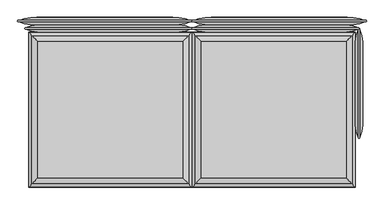
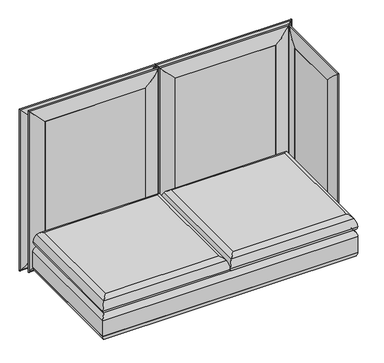
"""IFC4 building model written with IfcOpenShell, lengths in millimetres: furniture geometry."""

from ifc_helpers import new_model, si_unit, frame, origin, place, context, project, spatial, polyline, ellipse_curve, outline, extrude, source, transform, mapped, element, save
from ifc_brep_helpers import plane_surface, cylinder_surface, advanced_brep


def furniture_5d8952d9(model_context):
    return source(origin(), model_context, "Body", "SolidModel", [
        advanced_brep(
        [(815.975, -403.225, 329.9006118), (815.975, 352.425, 329.9006118), (-815.975, 352.425, 329.9006118), (-815.975, -403.225, 329.9006118), (815.975, 352.425, 142.5756118), (815.975, -403.225, 142.5756118), (-815.975, -403.225, 142.5756118), (-815.975, 352.425, 142.5756118), (835.0111528, 371.4611528, 291.910987), (835.0111528, -422.2611528, 291.910987), (835.025, 371.475, 181.4038342), (835.025, 371.475, 291.0723894), (835.025, -422.275, 291.0723894), (835.025, -422.275, 181.4038342), (835.0111528, 371.4611528, 180.5652366), (835.0111528, -422.2611528, 180.5652366), (-835.0111528, -422.2611528, 291.910987), (-835.025, -422.275, 291.0723894), (-835.025, -422.275, 181.4038342), (-835.0111528, -422.2611528, 180.5652366), (-835.0111528, 371.4611528, 291.910987), (-835.025, 371.475, 291.0723894), (-835.025, 371.475, 181.4038342), (-835.0111528, 371.4611528, 180.5652366)],
        [
            (0, 1),
            (1, 2),
            (2, 3),
            (3, 0),
            (4, 5),
            (5, 6),
            (6, 7),
            (7, 4),
            (8, 1, ellipse_curve(frame((784.2388472, 320.6888472, 290.2337918), z_axis=(0.7071067811865475, -0.7071067811865475, 0.0), x_axis=(0.7071067811865474, 0.7071067811865476, 0.0)), 71.842049, 50.8)),
            (0, 9, ellipse_curve(frame((784.2388472, -371.4888472, 290.2337918), z_axis=(0.7071067811865475, 0.7071067811865475, 0.0), x_axis=(-0.7071067811865474, 0.7071067811865476, 0.0)), 71.842049, 50.8)),
            (9, 8),
            (10, 11),
            (11, 12),
            (12, 13),
            (13, 10),
            (4, 14, ellipse_curve(frame((784.2388472, 320.6888472, 182.2424317), z_axis=(0.7071067811865475, -0.7071067811865475, 0.0), x_axis=(0.7071067811865474, 0.7071067811865476, 0.0)), 71.842049, 50.8)),
            (14, 15),
            (15, 5, ellipse_curve(frame((784.2388472, -371.4888472, 182.2424317), z_axis=(0.7071067811865475, 0.7071067811865475, 0.0), x_axis=(-0.7071067811865474, 0.7071067811865476, 0.0)), 71.842049, 50.8)),
            (3, 16, ellipse_curve(frame((-784.2388472, -371.4888472, 290.2337918), z_axis=(0.7071067811865475, -0.7071067811865475, 0.0), x_axis=(0.7071067811865476, 0.7071067811865474, 0.0)), 71.842049, 50.8)),
            (16, 9),
            (12, 17),
            (17, 18),
            (18, 13),
            (15, 19),
            (19, 6, ellipse_curve(frame((-784.2388472, -371.4888472, 182.2424317), z_axis=(0.7071067811865475, -0.7071067811865475, 0.0), x_axis=(0.7071067811865476, 0.7071067811865474, 0.0)), 71.842049, 50.8)),
            (2, 20, ellipse_curve(frame((-784.2388472, 320.6888472, 290.2337918), z_axis=(-0.7071067811865475, -0.7071067811865475, 0.0), x_axis=(0.7071067811865474, -0.7071067811865476, 0.0)), 71.842049, 50.8)),
            (20, 16),
            (17, 21),
            (21, 22),
            (22, 18),
            (19, 23),
            (23, 7, ellipse_curve(frame((-784.2388472, 320.6888472, 182.2424317), z_axis=(-0.7071067811865475, -0.7071067811865475, 0.0), x_axis=(0.7071067811865474, -0.7071067811865476, 0.0)), 71.842049, 50.8)),
            (8, 20),
            (10, 22),
            (21, 11),
            (23, 14),
            (9, 12, ellipse_curve(frame((809.625, -396.875, 291.0723894), z_axis=(0.7071067811865475, 0.7071067811865475, 0.0), x_axis=(-0.7071067811865474, 0.7071067811865476, 0.0)), 35.9210245, 25.4)),
            (11, 8, ellipse_curve(frame((809.625, 346.075, 291.0723894), z_axis=(0.7071067811865475, -0.7071067811865475, 0.0), x_axis=(0.7071067811865474, 0.7071067811865476, 0.0)), 35.9210245, 25.4)),
            (13, 15, ellipse_curve(frame((809.625, -396.875, 181.4038342), z_axis=(0.7071067811865475, 0.7071067811865475, 0.0), x_axis=(-0.7071067811865474, 0.7071067811865476, 0.0)), 35.9210245, 25.4)),
            (14, 10, ellipse_curve(frame((809.625, 346.075, 181.4038342), z_axis=(0.7071067811865475, -0.7071067811865475, 0.0), x_axis=(0.7071067811865474, 0.7071067811865476, 0.0)), 35.9210245, 25.4)),
            (16, 17, ellipse_curve(frame((-809.625, -396.875, 291.0723894), z_axis=(0.7071067811865475, -0.7071067811865475, 0.0), x_axis=(0.7071067811865476, 0.7071067811865474, 0.0)), 35.9210245, 25.4)),
            (18, 19, ellipse_curve(frame((-809.625, -396.875, 181.4038342), z_axis=(0.7071067811865475, -0.7071067811865475, 0.0), x_axis=(0.7071067811865476, 0.7071067811865474, 0.0)), 35.9210245, 25.4)),
            (20, 21, ellipse_curve(frame((-809.625, 346.075, 291.0723894), z_axis=(-0.7071067811865475, -0.7071067811865475, 0.0), x_axis=(0.7071067811865474, -0.7071067811865476, 0.0)), 35.9210245, 25.4)),
            (22, 23, ellipse_curve(frame((-809.625, 346.075, 181.4038342), z_axis=(-0.7071067811865475, -0.7071067811865475, 0.0), x_axis=(0.7071067811865474, -0.7071067811865476, 0.0)), 35.9210245, 25.4)),
        ],
        [
            plane_surface(frame((-815.975, 352.425, 329.9006118), z_axis=(0.0, 0.0, 1.0), x_axis=(-1.0, 0.0, 0.0))),
            plane_surface(frame((-815.975, 352.425, 142.5756118), z_axis=(0.0, 0.0, -1.0), x_axis=(1.0, 0.0, 0.0))),
            cylinder_surface(frame((784.2388472, 371.475, 290.2337918), z_axis=(0.0, 1.0, 0.0), x_axis=(1.0, 0.0, 0.0)), 50.8),
            plane_surface(frame((835.025, 371.475, 291.0723894), z_axis=(1.0, 0.0, 0.0), x_axis=(0.0, -1.0, 0.0))),
            cylinder_surface(frame((784.2388472, 371.475, 182.2424317), z_axis=(0.0, 1.0, 0.0), x_axis=(1.0, 0.0, 0.0)), 50.8),
            cylinder_surface(frame((835.025, -371.4888472, 290.2337918), z_axis=(1.0, 0.0, 0.0), x_axis=(0.0, -1.0, 0.0)), 50.8),
            plane_surface(frame((835.025, -422.275, 291.0723894), z_axis=(0.0, -1.0, 0.0), x_axis=(-1.0, 0.0, 0.0))),
            cylinder_surface(frame((835.025, -371.4888472, 182.2424317), z_axis=(1.0, 0.0, 0.0), x_axis=(0.0, -1.0, 0.0)), 50.8),
            cylinder_surface(frame((-784.2388472, -422.275, 290.2337918), z_axis=(0.0, -1.0, 0.0), x_axis=(-1.0, 0.0, 0.0)), 50.8),
            plane_surface(frame((-835.025, -422.275, 291.0723894), z_axis=(-1.0, 0.0, 0.0), x_axis=(0.0, 1.0, 0.0))),
            cylinder_surface(frame((-784.2388472, -422.275, 182.2424317), z_axis=(0.0, -1.0, 0.0), x_axis=(-1.0, 0.0, 0.0)), 50.8),
            cylinder_surface(frame((-835.025, 320.6888472, 290.2337918), z_axis=(-1.0, 0.0, 0.0), x_axis=(0.0, 1.0, 0.0)), 50.8),
            plane_surface(frame((-835.025, 371.475, 291.0723894), z_axis=(0.0, 1.0, 0.0), x_axis=(1.0, 0.0, 0.0))),
            cylinder_surface(frame((-835.025, 320.6888472, 182.2424317), z_axis=(-1.0, 0.0, 0.0), x_axis=(0.0, 1.0, 0.0)), 50.8),
            cylinder_surface(frame((809.625, 371.475, 291.0723894), z_axis=(0.0, 1.0, 0.0), x_axis=(1.0, 0.0, 0.0)), 25.4),
            cylinder_surface(frame((809.625, 371.475, 181.4038342), z_axis=(0.0, 1.0, 0.0), x_axis=(1.0, 0.0, 0.0)), 25.4),
            cylinder_surface(frame((835.025, -396.875, 291.0723894), z_axis=(1.0, 0.0, 0.0), x_axis=(0.0, -1.0, 0.0)), 25.4),
            cylinder_surface(frame((835.025, -396.875, 181.4038342), z_axis=(1.0, 0.0, 0.0), x_axis=(0.0, -1.0, 0.0)), 25.4),
            cylinder_surface(frame((-809.625, -422.275, 291.0723894), z_axis=(0.0, -1.0, 0.0), x_axis=(-1.0, 0.0, 0.0)), 25.4),
            cylinder_surface(frame((-809.625, -422.275, 181.4038342), z_axis=(0.0, -1.0, 0.0), x_axis=(-1.0, 0.0, 0.0)), 25.4),
            cylinder_surface(frame((-835.025, 346.075, 291.0723894), z_axis=(-1.0, 0.0, 0.0), x_axis=(0.0, 1.0, 0.0)), 25.4),
            cylinder_surface(frame((-835.025, 346.075, 181.4038342), z_axis=(-1.0, 0.0, 0.0), x_axis=(0.0, 1.0, 0.0)), 25.4),
        ],
        [
            (0, [[1, 2, 3, 4]]),
            (1, [[5, 6, 7, 8]]),
            (2, [[9, -1, 10, 11]]),
            (3, [[12, 13, 14, 15]]),
            (4, [[16, 17, 18, -5]]),
            (5, [[-10, -4, 19, 20]]),
            (6, [[-14, 21, 22, 23]]),
            (7, [[-18, 24, 25, -6]]),
            (8, [[-19, -3, 26, 27]]),
            (9, [[-22, 28, 29, 30]]),
            (10, [[-25, 31, 32, -7]]),
            (11, [[-9, 33, -26, -2]]),
            (12, [[-12, 34, -29, 35]]),
            (13, [[-16, -8, -32, 36]]),
            (14, [[-11, 37, -13, 38]]),
            (15, [[-15, 39, -17, 40]]),
            (16, [[-20, 41, -21, -37]]),
            (17, [[-23, 42, -24, -39]]),
            (18, [[-27, 43, -28, -41]]),
            (19, [[-30, 44, -31, -42]]),
            (20, [[-33, -38, -35, -43]]),
            (21, [[-34, -40, -36, -44]]),
        ],
    ),
        advanced_brep(
        [(808.5131705, -395.7631705, 330.2), (26.5118295, -395.7631705, 330.2), (26.5118295, 344.9631705, 330.2), (808.5131705, 344.9631705, 330.2), (833.9111903, 370.3611903, 355.9171647), (833.9111903, -421.1611903, 355.9171647), (1.1138097, -421.1611903, 355.9171647), (1.1138097, 370.3611903, 355.9171647), (787.4, -374.65, 434.975), (787.4, 323.85, 434.975), (47.625, 323.85, 434.975), (47.625, -374.65, 434.975), (818.6566677, 355.1066677, 412.0276231), (818.6566677, -405.9066677, 412.0276231), (16.3683323, -405.9066677, 412.0276231), (16.3683323, 355.1066677, 412.0276231)],
        [
            (0, 1),
            (1, 2),
            (2, 3),
            (3, 0),
            (3, 4, ellipse_curve(frame((808.5131705, 344.9631705, 355.6), z_axis=(0.7071067811865478, -0.7071067811865471, 0.0), x_axis=(0.707106781186547, 0.707106781186548, 0.0)), 35.9210245, 25.4)),
            (4, 5),
            (5, 0, ellipse_curve(frame((808.5131705, -395.7631705, 355.6), z_axis=(0.7071067811865471, 0.7071067811865478, 0.0), x_axis=(-0.7071067811865476, 0.7071067811865474, 0.0)), 35.9210245, 25.4)),
            (5, 6),
            (6, 1, ellipse_curve(frame((26.5118295, -395.7631705, 355.6), z_axis=(0.7071067811865478, -0.7071067811865471, 0.0), x_axis=(0.7071067811865474, 0.7071067811865476, 0.0)), 35.9210245, 25.4)),
            (6, 7),
            (7, 2, ellipse_curve(frame((26.5118295, 344.9631705, 355.6), z_axis=(-0.7071067811865471, -0.7071067811865478, 0.0), x_axis=(0.7071067811865476, -0.7071067811865474, 0.0)), 35.9210245, 25.4)),
            (7, 4),
            (8, 9),
            (9, 10),
            (10, 11),
            (11, 8),
            (12, 9, ellipse_curve(frame((777.2731381, 313.7231381, 388.4201083), z_axis=(0.7071067811865478, -0.7071067811865471, 0.0), x_axis=(0.707106781186547, 0.707106781186548, 0.0)), 67.3782053, 47.6435859)),
            (8, 13, ellipse_curve(frame((777.2731381, -364.5231381, 388.4201083), z_axis=(0.7071067811865471, 0.7071067811865478, 0.0), x_axis=(-0.7071067811865476, 0.7071067811865474, 0.0)), 67.3782053, 47.6435859)),
            (13, 12),
            (4, 12, ellipse_curve(frame((717.7532966, 254.2032966, 354.4666114), z_axis=(0.7071067811865478, -0.7071067811865471, 0.0), x_axis=(0.707106781186547, 0.707106781186548, 0.0)), 164.2848767, 116.1669504)),
            (13, 5, ellipse_curve(frame((717.7532966, -305.0032966, 354.4666114), z_axis=(0.7071067811865471, 0.7071067811865478, 0.0), x_axis=(-0.7071067811865476, 0.7071067811865474, 0.0)), 164.2848767, 116.1669504)),
            (11, 14, ellipse_curve(frame((57.7518619, -364.5231381, 388.4201083), z_axis=(0.7071067811865478, -0.7071067811865471, 0.0), x_axis=(0.7071067811865474, 0.7071067811865476, 0.0)), 67.3782053, 47.6435859)),
            (14, 13),
            (14, 6, ellipse_curve(frame((117.2717034, -305.0032966, 354.4666114), z_axis=(0.7071067811865478, -0.7071067811865471, 0.0), x_axis=(0.7071067811865474, 0.7071067811865476, 0.0)), 164.2848767, 116.1669504)),
            (10, 15, ellipse_curve(frame((57.7518619, 313.7231381, 388.4201083), z_axis=(-0.7071067811865471, -0.7071067811865478, 0.0), x_axis=(0.7071067811865476, -0.7071067811865474, 0.0)), 67.3782053, 47.6435859)),
            (15, 14),
            (15, 7, ellipse_curve(frame((117.2717034, 254.2032966, 354.4666114), z_axis=(-0.7071067811865471, -0.7071067811865478, 0.0), x_axis=(0.7071067811865476, -0.7071067811865474, 0.0)), 164.2848767, 116.1669504)),
            (12, 15),
        ],
        [
            plane_surface(frame((26.5118295, 344.9631705, 330.2), z_axis=(0.0, 0.0, -1.0), x_axis=(1.0, 0.0, 0.0))),
            cylinder_surface(frame((808.5131705, 371.475, 355.6), z_axis=(0.0, 1.0000000000000002, 0.0), x_axis=(1.0000000000000002, 0.0, 0.0)), 25.4),
            cylinder_surface(frame((835.025, -395.7631705, 355.6), z_axis=(1.0000000000000002, 0.0, 0.0), x_axis=(0.0, -1.0000000000000002, 0.0)), 25.4),
            cylinder_surface(frame((26.5118295, -422.275, 355.6), z_axis=(0.0, -1.0000000000000002, 0.0), x_axis=(-1.0000000000000002, 0.0, 0.0)), 25.4),
            cylinder_surface(frame((0.0, 344.9631705, 355.6), z_axis=(-1.0000000000000002, 0.0, 0.0), x_axis=(0.0, 1.0000000000000002, 0.0)), 25.4),
            plane_surface(frame((47.625, 323.85, 434.975), z_axis=(0.0, 0.0, 1.0), x_axis=(-1.0, 0.0, 0.0))),
            cylinder_surface(frame((777.2731381, 371.475, 388.4201083), z_axis=(0.0, 1.0000000000000002, 0.0), x_axis=(1.0000000000000002, 0.0, 0.0)), 47.6435859),
            cylinder_surface(frame((717.7532966, 371.475, 354.4666114), z_axis=(0.0, 1.0000000000000002, 0.0), x_axis=(1.0000000000000002, 0.0, 0.0)), 116.1669504),
            cylinder_surface(frame((835.025, -364.5231381, 388.4201083), z_axis=(1.0000000000000002, 0.0, 0.0), x_axis=(0.0, -1.0000000000000002, 0.0)), 47.6435859),
            cylinder_surface(frame((835.025, -305.0032966, 354.4666114), z_axis=(1.0000000000000002, 0.0, 0.0), x_axis=(0.0, -1.0000000000000002, 0.0)), 116.1669504),
            cylinder_surface(frame((57.7518619, -422.275, 388.4201083), z_axis=(0.0, -1.0000000000000002, 0.0), x_axis=(-1.0000000000000002, 0.0, 0.0)), 47.6435859),
            cylinder_surface(frame((117.2717034, -422.275, 354.4666114), z_axis=(0.0, -1.0000000000000002, 0.0), x_axis=(-1.0000000000000002, 0.0, 0.0)), 116.1669504),
            cylinder_surface(frame((0.0, 313.7231381, 388.4201083), z_axis=(-1.0000000000000002, 0.0, 0.0), x_axis=(0.0, 1.0000000000000002, 0.0)), 47.6435859),
            cylinder_surface(frame((0.0, 254.2032966, 354.4666114), z_axis=(-1.0000000000000002, 0.0, 0.0), x_axis=(0.0, 1.0000000000000002, 0.0)), 116.1669504),
        ],
        [
            (0, [[1, 2, 3, 4]]),
            (1, [[-4, 5, 6, 7]]),
            (2, [[-1, -7, 8, 9]]),
            (3, [[-2, -9, 10, 11]]),
            (4, [[-3, -11, 12, -5]]),
            (5, [[13, 14, 15, 16]]),
            (6, [[17, -13, 18, 19]]),
            (7, [[-6, 20, -19, 21]]),
            (8, [[-18, -16, 22, 23]]),
            (9, [[-8, -21, -23, 24]]),
            (10, [[-22, -15, 25, 26]]),
            (11, [[-10, -24, -26, 27]]),
            (12, [[-17, 28, -25, -14]]),
            (13, [[-12, -27, -28, -20]]),
        ],
    ),
        advanced_brep(
        [(-26.5118295, -395.7631705, 330.2), (-808.5131705, -395.7631705, 330.2), (-808.5131705, 344.9631705, 330.2), (-26.5118295, 344.9631705, 330.2), (-1.1138097, 370.3611903, 355.9171647), (-1.1138097, -421.1611903, 355.9171647), (-833.9111903, -421.1611903, 355.9171647), (-833.9111903, 370.3611903, 355.9171647), (-47.625, -374.65, 434.975), (-47.625, 323.85, 434.975), (-787.4, 323.85, 434.975), (-787.4, -374.65, 434.975), (-16.3683323, 355.1066677, 412.0276231), (-16.3683323, -405.9066677, 412.0276231), (-818.6566677, -405.9066677, 412.0276231), (-818.6566677, 355.1066677, 412.0276231)],
        [
            (0, 1),
            (1, 2),
            (2, 3),
            (3, 0),
            (3, 4, ellipse_curve(frame((-26.5118295, 344.9631705, 355.6), z_axis=(0.7071067811865478, -0.7071067811865471, 0.0), x_axis=(0.707106781186547, 0.707106781186548, 0.0)), 35.9210245, 25.4)),
            (4, 5),
            (5, 0, ellipse_curve(frame((-26.5118295, -395.7631705, 355.6), z_axis=(0.7071067811865471, 0.7071067811865478, 0.0), x_axis=(-0.7071067811865476, 0.7071067811865474, 0.0)), 35.9210245, 25.4)),
            (5, 6),
            (6, 1, ellipse_curve(frame((-808.5131705, -395.7631705, 355.6), z_axis=(0.7071067811865478, -0.7071067811865471, 0.0), x_axis=(0.7071067811865474, 0.7071067811865476, 0.0)), 35.9210245, 25.4)),
            (6, 7),
            (7, 2, ellipse_curve(frame((-808.5131705, 344.9631705, 355.6), z_axis=(-0.7071067811865471, -0.7071067811865478, 0.0), x_axis=(0.7071067811865476, -0.7071067811865474, 0.0)), 35.9210245, 25.4)),
            (7, 4),
            (8, 9),
            (9, 10),
            (10, 11),
            (11, 8),
            (12, 9, ellipse_curve(frame((-57.7518619, 313.7231381, 388.4201083), z_axis=(0.7071067811865478, -0.7071067811865471, 0.0), x_axis=(0.707106781186547, 0.707106781186548, 0.0)), 67.3782053, 47.6435859)),
            (8, 13, ellipse_curve(frame((-57.7518619, -364.5231381, 388.4201083), z_axis=(0.7071067811865471, 0.7071067811865478, 0.0), x_axis=(-0.7071067811865476, 0.7071067811865474, 0.0)), 67.3782053, 47.6435859)),
            (13, 12),
            (4, 12, ellipse_curve(frame((-117.2717034, 254.2032966, 354.4666114), z_axis=(0.7071067811865478, -0.7071067811865471, 0.0), x_axis=(0.707106781186547, 0.707106781186548, 0.0)), 164.2848767, 116.1669504)),
            (13, 5, ellipse_curve(frame((-117.2717034, -305.0032966, 354.4666114), z_axis=(0.7071067811865471, 0.7071067811865478, 0.0), x_axis=(-0.7071067811865476, 0.7071067811865474, 0.0)), 164.2848767, 116.1669504)),
            (11, 14, ellipse_curve(frame((-777.2731381, -364.5231381, 388.4201083), z_axis=(0.7071067811865478, -0.7071067811865471, 0.0), x_axis=(0.7071067811865474, 0.7071067811865476, 0.0)), 67.3782053, 47.6435859)),
            (14, 13),
            (14, 6, ellipse_curve(frame((-717.7532966, -305.0032966, 354.4666114), z_axis=(0.7071067811865478, -0.7071067811865471, 0.0), x_axis=(0.7071067811865474, 0.7071067811865476, 0.0)), 164.2848767, 116.1669504)),
            (10, 15, ellipse_curve(frame((-777.2731381, 313.7231381, 388.4201083), z_axis=(-0.7071067811865471, -0.7071067811865478, 0.0), x_axis=(0.7071067811865476, -0.7071067811865474, 0.0)), 67.3782053, 47.6435859)),
            (15, 14),
            (15, 7, ellipse_curve(frame((-717.7532966, 254.2032966, 354.4666114), z_axis=(-0.7071067811865471, -0.7071067811865478, 0.0), x_axis=(0.7071067811865476, -0.7071067811865474, 0.0)), 164.2848767, 116.1669504)),
            (12, 15),
        ],
        [
            plane_surface(frame((-808.5131705, 344.9631705, 330.2), z_axis=(0.0, 0.0, -1.0), x_axis=(1.0, 0.0, 0.0))),
            cylinder_surface(frame((-26.5118295, 371.475, 355.6), z_axis=(0.0, 1.0000000000000002, 0.0), x_axis=(1.0000000000000002, 0.0, 0.0)), 25.4),
            cylinder_surface(frame((0.0, -395.7631705, 355.6), z_axis=(1.0000000000000002, 0.0, 0.0), x_axis=(0.0, -1.0000000000000002, 0.0)), 25.4),
            cylinder_surface(frame((-808.5131705, -422.275, 355.6), z_axis=(0.0, -1.0000000000000002, 0.0), x_axis=(-1.0000000000000002, 0.0, 0.0)), 25.4),
            cylinder_surface(frame((-835.025, 344.9631705, 355.6), z_axis=(-1.0000000000000002, 0.0, 0.0), x_axis=(0.0, 1.0000000000000002, 0.0)), 25.4),
            plane_surface(frame((-787.4, 323.85, 434.975), z_axis=(0.0, 0.0, 1.0), x_axis=(-1.0, 0.0, 0.0))),
            cylinder_surface(frame((-57.7518619, 371.475, 388.4201083), z_axis=(0.0, 1.0000000000000002, 0.0), x_axis=(1.0000000000000002, 0.0, 0.0)), 47.6435859),
            cylinder_surface(frame((-117.2717034, 371.475, 354.4666114), z_axis=(0.0, 1.0000000000000002, 0.0), x_axis=(1.0000000000000002, 0.0, 0.0)), 116.1669504),
            cylinder_surface(frame((0.0, -364.5231381, 388.4201083), z_axis=(1.0000000000000002, 0.0, 0.0), x_axis=(0.0, -1.0000000000000002, 0.0)), 47.6435859),
            cylinder_surface(frame((0.0, -305.0032966, 354.4666114), z_axis=(1.0000000000000002, 0.0, 0.0), x_axis=(0.0, -1.0000000000000002, 0.0)), 116.1669504),
            cylinder_surface(frame((-777.2731381, -422.275, 388.4201083), z_axis=(0.0, -1.0000000000000002, 0.0), x_axis=(-1.0000000000000002, 0.0, 0.0)), 47.6435859),
            cylinder_surface(frame((-717.7532966, -422.275, 354.4666114), z_axis=(0.0, -1.0000000000000002, 0.0), x_axis=(-1.0000000000000002, 0.0, 0.0)), 116.1669504),
            cylinder_surface(frame((-835.025, 313.7231381, 388.4201083), z_axis=(-1.0000000000000002, 0.0, 0.0), x_axis=(0.0, 1.0000000000000002, 0.0)), 47.6435859),
            cylinder_surface(frame((-835.025, 254.2032966, 354.4666114), z_axis=(-1.0000000000000002, 0.0, 0.0), x_axis=(0.0, 1.0000000000000002, 0.0)), 116.1669504),
        ],
        [
            (0, [[1, 2, 3, 4]]),
            (1, [[-4, 5, 6, 7]]),
            (2, [[-1, -7, 8, 9]]),
            (3, [[-2, -9, 10, 11]]),
            (4, [[-3, -11, 12, -5]]),
            (5, [[13, 14, 15, 16]]),
            (6, [[17, -13, 18, 19]]),
            (7, [[-6, 20, -19, 21]]),
            (8, [[-18, -16, 22, 23]]),
            (9, [[-8, -21, -23, 24]]),
            (10, [[-22, -15, 25, 26]]),
            (11, [[-10, -24, -26, 27]]),
            (12, [[-17, 28, -25, -14]]),
            (13, [[-12, -27, -28, -20]]),
        ],
    ),
        advanced_brep(
        [(98.425, 410.5220019, 1163.5628297), (5.2936683, 425.266915, 1256.6941614), (5.2936683, 425.266915, 145.8277373), (98.425, 410.5220019, 238.959069), (98.425, 446.7279981, 1163.5628297), (98.425, 446.7279981, 238.959069), (5.2936683, 431.983085, 1256.6941614), (5.2936683, 431.983085, 145.8277373), (886.8813317, 425.266915, 145.8277373), (793.75, 410.5220019, 238.959069), (793.75, 446.7279981, 238.959069), (886.8813317, 431.983085, 145.8277373), (886.8813317, 425.266915, 1256.6941614), (793.75, 410.5220019, 1163.5628297), (793.75, 446.7279981, 1163.5628297), (886.8813317, 431.983085, 1256.6941614)],
        [
            (0, 1, ellipse_curve(frame((79.7282714, 593.9193158, 1182.2595584), z_axis=(-0.7071067811865475, 0.0, -0.7071067811865475), x_axis=(-0.7071067811865474, 0.0, 0.7071067811865476)), 260.707278, 184.3478842)),
            (1, 2),
            (2, 3, ellipse_curve(frame((79.7282714, 593.9193158, 220.2623404), z_axis=(-0.7071067811865475, 0.0, 0.7071067811865475), x_axis=(0.7071067811865474, 0.0, 0.7071067811865476)), 260.707278, 184.3478842)),
            (3, 0),
            (4, 0),
            (3, 5),
            (5, 4),
            (6, 4, ellipse_curve(frame((79.7282714, 263.3306842, 1182.2595584), z_axis=(-0.7071067811865475, 0.0, -0.7071067811865475), x_axis=(-0.7071067811865474, 0.0, 0.7071067811865476)), 260.707278, 184.3478842)),
            (5, 7, ellipse_curve(frame((79.7282714, 263.3306842, 220.2623404), z_axis=(-0.7071067811865475, 0.0, 0.7071067811865475), x_axis=(0.7071067811865474, 0.0, 0.7071067811865476)), 260.707278, 184.3478842)),
            (7, 6),
            (1, 6, ellipse_curve(frame((3.6755545, 428.625, 1258.3122753), z_axis=(-0.7071067811865475, 0.0, -0.7071067811865475), x_axis=(-0.7071067811865474, 0.0, 0.7071067811865476)), 5.2716273, 3.7276034)),
            (7, 2, ellipse_curve(frame((3.6755545, 428.625, 144.2096235), z_axis=(-0.7071067811865475, 0.0, 0.7071067811865475), x_axis=(0.7071067811865474, 0.0, 0.7071067811865476)), 5.2716273, 3.7276034)),
            (2, 8),
            (8, 9, ellipse_curve(frame((812.4467286, 593.9193158, 220.2623404), z_axis=(-0.7071067811865475, 0.0, -0.7071067811865475), x_axis=(-0.7071067811865476, 0.0, 0.7071067811865474)), 260.707278, 184.3478842)),
            (9, 3),
            (9, 10),
            (10, 5),
            (10, 11, ellipse_curve(frame((812.4467286, 263.3306842, 220.2623404), z_axis=(-0.7071067811865475, 0.0, -0.7071067811865475), x_axis=(-0.7071067811865476, 0.0, 0.7071067811865474)), 260.707278, 184.3478842)),
            (11, 7),
            (11, 8, ellipse_curve(frame((888.4994455, 428.625, 144.2096235), z_axis=(-0.7071067811865475, 0.0, -0.7071067811865475), x_axis=(-0.7071067811865476, 0.0, 0.7071067811865474)), 5.2716273, 3.7276034)),
            (8, 12),
            (12, 13, ellipse_curve(frame((812.4467286, 593.9193158, 1182.2595584), z_axis=(0.7071067811865475, 0.0, -0.7071067811865475), x_axis=(-0.7071067811865474, 0.0, -0.7071067811865476)), 260.707278, 184.3478842)),
            (13, 9),
            (13, 14),
            (14, 10),
            (14, 15, ellipse_curve(frame((812.4467286, 263.3306842, 1182.2595584), z_axis=(0.7071067811865475, 0.0, -0.7071067811865475), x_axis=(-0.7071067811865474, 0.0, -0.7071067811865476)), 260.707278, 184.3478842)),
            (15, 11),
            (15, 12, ellipse_curve(frame((888.4994455, 428.625, 1258.3122753), z_axis=(0.7071067811865475, 0.0, -0.7071067811865475), x_axis=(-0.7071067811865474, 0.0, -0.7071067811865476)), 5.2716273, 3.7276034)),
            (12, 1),
            (0, 13),
            (4, 14),
            (6, 15),
        ],
        [
            cylinder_surface(frame((79.7282714, 593.9193158, 1163.5628297), z_axis=(0.0, 0.0, 1.0), x_axis=(0.0, -1.0000000000000002, 0.0)), 184.3478842),
            plane_surface(frame((98.425, 410.5220019, 1163.5628297), z_axis=(1.0, 0.0, 0.0), x_axis=(0.0, 0.0, -1.0))),
            cylinder_surface(frame((79.7282714, 263.3306842, 1163.5628297), z_axis=(0.0, 0.0, 1.0), x_axis=(0.0, -1.0000000000000002, 0.0)), 184.3478842),
            cylinder_surface(frame((3.6755545, 428.625, 1163.5628297), z_axis=(0.0, 0.0, 1.0), x_axis=(0.0, -1.0000000000000002, 0.0)), 3.7276034),
            cylinder_surface(frame((98.425, 593.9193158, 220.2623404), z_axis=(-1.0000000000000002, 0.0, 0.0), x_axis=(0.0, -1.0000000000000002, 0.0)), 184.3478842),
            plane_surface(frame((98.425, 410.5220019, 238.959069), z_axis=(0.0, 0.0, 1.0), x_axis=(1.0, 0.0, 0.0))),
            cylinder_surface(frame((98.425, 263.3306842, 220.2623404), z_axis=(-1.0000000000000002, 0.0, 0.0), x_axis=(0.0, -1.0000000000000002, 0.0)), 184.3478842),
            cylinder_surface(frame((98.425, 428.625, 144.2096235), z_axis=(-1.0000000000000002, 0.0, 0.0), x_axis=(0.0, -1.0000000000000002, 0.0)), 3.7276034),
            cylinder_surface(frame((812.4467286, 593.9193158, 238.959069), z_axis=(0.0, 0.0, -1.0), x_axis=(0.0, -1.0000000000000002, 0.0)), 184.3478842),
            plane_surface(frame((793.75, 410.5220019, 238.959069), z_axis=(-1.0, 0.0, 0.0), x_axis=(0.0, 0.0, 1.0))),
            cylinder_surface(frame((812.4467286, 263.3306842, 238.959069), z_axis=(0.0, 0.0, -1.0), x_axis=(0.0, -1.0000000000000002, 0.0)), 184.3478842),
            cylinder_surface(frame((888.4994455, 428.625, 238.959069), z_axis=(0.0, 0.0, -1.0), x_axis=(0.0, -1.0000000000000002, 0.0)), 3.7276034),
            cylinder_surface(frame((793.75, 593.9193158, 1182.2595584), z_axis=(1.0000000000000002, 0.0, 0.0), x_axis=(0.0, -1.0000000000000002, 0.0)), 184.3478842),
            plane_surface(frame((793.75, 410.5220019, 1163.5628297), z_axis=(0.0, 0.0, -1.0), x_axis=(-1.0, 0.0, 0.0))),
            cylinder_surface(frame((793.75, 263.3306842, 1182.2595584), z_axis=(1.0000000000000002, 0.0, 0.0), x_axis=(0.0, -1.0000000000000002, 0.0)), 184.3478842),
            cylinder_surface(frame((793.75, 428.625, 1258.3122753), z_axis=(1.0000000000000002, 0.0, 0.0), x_axis=(0.0, -1.0000000000000002, 0.0)), 3.7276034),
        ],
        [
            (0, [[1, 2, 3, 4]]),
            (1, [[5, -4, 6, 7]]),
            (2, [[8, -7, 9, 10]]),
            (3, [[11, -10, 12, -2]]),
            (4, [[-3, 13, 14, 15]]),
            (5, [[-6, -15, 16, 17]]),
            (6, [[-9, -17, 18, 19]]),
            (7, [[-12, -19, 20, -13]]),
            (8, [[-14, 21, 22, 23]]),
            (9, [[-16, -23, 24, 25]]),
            (10, [[-18, -25, 26, 27]]),
            (11, [[-20, -27, 28, -21]]),
            (12, [[-22, 29, -1, 30]]),
            (13, [[-24, -30, -5, 31]]),
            (14, [[-26, -31, -8, 32]]),
            (15, [[-28, -32, -11, -29]]),
        ],
    ),
        extrude(outline(polyline([(793.75, 447.675), (793.75, 409.575), (98.425, 409.575), (98.425, 447.675), (793.75, 447.675)])), frame((0.0, 0.0, 238.959069), z_axis=(0.0, 0.0, 1.0), x_axis=(1.0, 0.0, 0.0)), (0.0, 0.0, 1.0), 924.6037607),
        advanced_brep(
        [(98.425, 372.4220019, 1163.5628297), (5.2936683, 387.166915, 1256.6941614), (5.2936683, 387.166915, 145.8277373), (98.425, 372.4220019, 238.959069), (98.425, 408.6279981, 1163.5628297), (98.425, 408.6279981, 238.959069), (5.2936683, 393.883085, 1256.6941614), (5.2936683, 393.883085, 145.8277373), (848.7813317, 387.166915, 145.8277373), (755.65, 372.4220019, 238.959069), (755.65, 408.6279981, 238.959069), (848.7813317, 393.883085, 145.8277373), (848.7813317, 387.166915, 1256.6941614), (755.65, 372.4220019, 1163.5628297), (755.65, 408.6279981, 1163.5628297), (848.7813317, 393.883085, 1256.6941614)],
        [
            (0, 1, ellipse_curve(frame((79.7282714, 555.8193158, 1182.2595584), z_axis=(-0.7071067811865475, 0.0, -0.7071067811865475), x_axis=(-0.7071067811865474, 0.0, 0.7071067811865476)), 260.707278, 184.3478842)),
            (1, 2),
            (2, 3, ellipse_curve(frame((79.7282714, 555.8193158, 220.2623404), z_axis=(-0.7071067811865475, 0.0, 0.7071067811865475), x_axis=(0.7071067811865474, 0.0, 0.7071067811865476)), 260.707278, 184.3478842)),
            (3, 0),
            (4, 0),
            (3, 5),
            (5, 4),
            (6, 4, ellipse_curve(frame((79.7282714, 225.2306842, 1182.2595584), z_axis=(-0.7071067811865475, 0.0, -0.7071067811865475), x_axis=(-0.7071067811865474, 0.0, 0.7071067811865476)), 260.707278, 184.3478842)),
            (5, 7, ellipse_curve(frame((79.7282714, 225.2306842, 220.2623404), z_axis=(-0.7071067811865475, 0.0, 0.7071067811865475), x_axis=(0.7071067811865474, 0.0, 0.7071067811865476)), 260.707278, 184.3478842)),
            (7, 6),
            (1, 6, ellipse_curve(frame((3.6755545, 390.525, 1258.3122753), z_axis=(-0.7071067811865475, 0.0, -0.7071067811865475), x_axis=(-0.7071067811865474, 0.0, 0.7071067811865476)), 5.2716273, 3.7276034)),
            (7, 2, ellipse_curve(frame((3.6755545, 390.525, 144.2096235), z_axis=(-0.7071067811865475, 0.0, 0.7071067811865475), x_axis=(0.7071067811865474, 0.0, 0.7071067811865476)), 5.2716273, 3.7276034)),
            (2, 8),
            (8, 9, ellipse_curve(frame((774.3467286, 555.8193158, 220.2623404), z_axis=(-0.7071067811865475, 0.0, -0.7071067811865475), x_axis=(-0.7071067811865476, 0.0, 0.7071067811865474)), 260.707278, 184.3478842)),
            (9, 3),
            (9, 10),
            (10, 5),
            (10, 11, ellipse_curve(frame((774.3467286, 225.2306842, 220.2623404), z_axis=(-0.7071067811865475, 0.0, -0.7071067811865475), x_axis=(-0.7071067811865476, 0.0, 0.7071067811865474)), 260.707278, 184.3478842)),
            (11, 7),
            (11, 8, ellipse_curve(frame((850.3994455, 390.525, 144.2096235), z_axis=(-0.7071067811865475, 0.0, -0.7071067811865475), x_axis=(-0.7071067811865476, 0.0, 0.7071067811865474)), 5.2716273, 3.7276034)),
            (8, 12),
            (12, 13, ellipse_curve(frame((774.3467286, 555.8193158, 1182.2595584), z_axis=(0.7071067811865475, 0.0, -0.7071067811865475), x_axis=(-0.7071067811865474, 0.0, -0.7071067811865476)), 260.707278, 184.3478842)),
            (13, 9),
            (13, 14),
            (14, 10),
            (14, 15, ellipse_curve(frame((774.3467286, 225.2306842, 1182.2595584), z_axis=(0.7071067811865475, 0.0, -0.7071067811865475), x_axis=(-0.7071067811865474, 0.0, -0.7071067811865476)), 260.707278, 184.3478842)),
            (15, 11),
            (15, 12, ellipse_curve(frame((850.3994455, 390.525, 1258.3122753), z_axis=(0.7071067811865475, 0.0, -0.7071067811865475), x_axis=(-0.7071067811865474, 0.0, -0.7071067811865476)), 5.2716273, 3.7276034)),
            (12, 1),
            (0, 13),
            (4, 14),
            (6, 15),
        ],
        [
            cylinder_surface(frame((79.7282714, 555.8193158, 1163.5628297), z_axis=(0.0, 0.0, 1.0), x_axis=(0.0, -1.0000000000000002, 0.0)), 184.3478842),
            plane_surface(frame((98.425, 372.4220019, 1163.5628297), z_axis=(1.0, 0.0, 0.0), x_axis=(0.0, 0.0, -1.0))),
            cylinder_surface(frame((79.7282714, 225.2306842, 1163.5628297), z_axis=(0.0, 0.0, 1.0), x_axis=(0.0, -1.0000000000000002, 0.0)), 184.3478842),
            cylinder_surface(frame((3.6755545, 390.525, 1163.5628297), z_axis=(0.0, 0.0, 1.0), x_axis=(0.0, -1.0000000000000002, 0.0)), 3.7276034),
            cylinder_surface(frame((98.425, 555.8193158, 220.2623404), z_axis=(-1.0000000000000002, 0.0, 0.0), x_axis=(0.0, -1.0000000000000002, 0.0)), 184.3478842),
            plane_surface(frame((98.425, 372.4220019, 238.959069), z_axis=(0.0, 0.0, 1.0), x_axis=(1.0, 0.0, 0.0))),
            cylinder_surface(frame((98.425, 225.2306842, 220.2623404), z_axis=(-1.0000000000000002, 0.0, 0.0), x_axis=(0.0, -1.0000000000000002, 0.0)), 184.3478842),
            cylinder_surface(frame((98.425, 390.525, 144.2096235), z_axis=(-1.0000000000000002, 0.0, 0.0), x_axis=(0.0, -1.0000000000000002, 0.0)), 3.7276034),
            cylinder_surface(frame((774.3467286, 555.8193158, 238.959069), z_axis=(0.0, 0.0, -1.0), x_axis=(0.0, -1.0000000000000002, 0.0)), 184.3478842),
            plane_surface(frame((755.65, 372.4220019, 238.959069), z_axis=(-1.0, 0.0, 0.0), x_axis=(0.0, 0.0, 1.0))),
            cylinder_surface(frame((774.3467286, 225.2306842, 238.959069), z_axis=(0.0, 0.0, -1.0), x_axis=(0.0, -1.0000000000000002, 0.0)), 184.3478842),
            cylinder_surface(frame((850.3994455, 390.525, 238.959069), z_axis=(0.0, 0.0, -1.0), x_axis=(0.0, -1.0000000000000002, 0.0)), 3.7276034),
            cylinder_surface(frame((755.65, 555.8193158, 1182.2595584), z_axis=(1.0000000000000002, 0.0, 0.0), x_axis=(0.0, -1.0000000000000002, 0.0)), 184.3478842),
            plane_surface(frame((755.65, 372.4220019, 1163.5628297), z_axis=(0.0, 0.0, -1.0), x_axis=(-1.0, 0.0, 0.0))),
            cylinder_surface(frame((755.65, 225.2306842, 1182.2595584), z_axis=(1.0000000000000002, 0.0, 0.0), x_axis=(0.0, -1.0000000000000002, 0.0)), 184.3478842),
            cylinder_surface(frame((755.65, 390.525, 1258.3122753), z_axis=(1.0000000000000002, 0.0, 0.0), x_axis=(0.0, -1.0000000000000002, 0.0)), 3.7276034),
        ],
        [
            (0, [[1, 2, 3, 4]]),
            (1, [[5, -4, 6, 7]]),
            (2, [[8, -7, 9, 10]]),
            (3, [[11, -10, 12, -2]]),
            (4, [[-3, 13, 14, 15]]),
            (5, [[-6, -15, 16, 17]]),
            (6, [[-9, -17, 18, 19]]),
            (7, [[-12, -19, 20, -13]]),
            (8, [[-14, 21, 22, 23]]),
            (9, [[-16, -23, 24, 25]]),
            (10, [[-18, -25, 26, 27]]),
            (11, [[-20, -27, 28, -21]]),
            (12, [[-22, 29, -1, 30]]),
            (13, [[-24, -30, -5, 31]]),
            (14, [[-26, -31, -8, 32]]),
            (15, [[-28, -32, -11, -29]]),
        ],
    ),
        extrude(outline(polyline([(755.65, 409.575), (755.65, 371.475), (98.425, 371.475), (98.425, 409.575), (755.65, 409.575)])), frame((0.0, 0.0, 238.959069), z_axis=(0.0, 0.0, 1.0), x_axis=(1.0, 0.0, 0.0)), (0.0, 0.0, 1.0), 924.6037607),
        advanced_brep(
        [(-793.75, 410.5220019, 1163.5628297), (-886.8813317, 425.266915, 1256.6941614), (-886.8813317, 425.266915, 145.8277373), (-793.75, 410.5220019, 238.959069), (-793.75, 446.7279981, 1163.5628297), (-793.75, 446.7279981, 238.959069), (-886.8813317, 431.983085, 1256.6941614), (-886.8813317, 431.983085, 145.8277373), (-5.2936683, 425.266915, 145.8277373), (-98.425, 410.5220019, 238.959069), (-98.425, 446.7279981, 238.959069), (-5.2936683, 431.983085, 145.8277373), (-5.2936683, 425.266915, 1256.6941614), (-98.425, 410.5220019, 1163.5628297), (-98.425, 446.7279981, 1163.5628297), (-5.2936683, 431.983085, 1256.6941614)],
        [
            (0, 1, ellipse_curve(frame((-812.4467286, 593.9193158, 1182.2595584), z_axis=(-0.7071067811865475, 0.0, -0.7071067811865475), x_axis=(-0.7071067811865474, 0.0, 0.7071067811865476)), 260.707278, 184.3478842)),
            (1, 2),
            (2, 3, ellipse_curve(frame((-812.4467286, 593.9193158, 220.2623404), z_axis=(-0.7071067811865475, 0.0, 0.7071067811865475), x_axis=(0.7071067811865474, 0.0, 0.7071067811865476)), 260.707278, 184.3478842)),
            (3, 0),
            (4, 0),
            (3, 5),
            (5, 4),
            (6, 4, ellipse_curve(frame((-812.4467286, 263.3306842, 1182.2595584), z_axis=(-0.7071067811865475, 0.0, -0.7071067811865475), x_axis=(-0.7071067811865474, 0.0, 0.7071067811865476)), 260.707278, 184.3478842)),
            (5, 7, ellipse_curve(frame((-812.4467286, 263.3306842, 220.2623404), z_axis=(-0.7071067811865475, 0.0, 0.7071067811865475), x_axis=(0.7071067811865474, 0.0, 0.7071067811865476)), 260.707278, 184.3478842)),
            (7, 6),
            (1, 6, ellipse_curve(frame((-888.4994455, 428.625, 1258.3122753), z_axis=(-0.7071067811865475, 0.0, -0.7071067811865475), x_axis=(-0.7071067811865474, 0.0, 0.7071067811865476)), 5.2716273, 3.7276034)),
            (7, 2, ellipse_curve(frame((-888.4994455, 428.625, 144.2096235), z_axis=(-0.7071067811865475, 0.0, 0.7071067811865475), x_axis=(0.7071067811865474, 0.0, 0.7071067811865476)), 5.2716273, 3.7276034)),
            (2, 8),
            (8, 9, ellipse_curve(frame((-79.7282714, 593.9193158, 220.2623404), z_axis=(-0.7071067811865475, 0.0, -0.7071067811865475), x_axis=(-0.7071067811865476, 0.0, 0.7071067811865474)), 260.707278, 184.3478842)),
            (9, 3),
            (9, 10),
            (10, 5),
            (10, 11, ellipse_curve(frame((-79.7282714, 263.3306842, 220.2623404), z_axis=(-0.7071067811865475, 0.0, -0.7071067811865475), x_axis=(-0.7071067811865476, 0.0, 0.7071067811865474)), 260.707278, 184.3478842)),
            (11, 7),
            (11, 8, ellipse_curve(frame((-3.6755545, 428.625, 144.2096235), z_axis=(-0.7071067811865475, 0.0, -0.7071067811865475), x_axis=(-0.7071067811865476, 0.0, 0.7071067811865474)), 5.2716273, 3.7276034)),
            (8, 12),
            (12, 13, ellipse_curve(frame((-79.7282714, 593.9193158, 1182.2595584), z_axis=(0.7071067811865475, 0.0, -0.7071067811865475), x_axis=(-0.7071067811865474, 0.0, -0.7071067811865476)), 260.707278, 184.3478842)),
            (13, 9),
            (13, 14),
            (14, 10),
            (14, 15, ellipse_curve(frame((-79.7282714, 263.3306842, 1182.2595584), z_axis=(0.7071067811865475, 0.0, -0.7071067811865475), x_axis=(-0.7071067811865474, 0.0, -0.7071067811865476)), 260.707278, 184.3478842)),
            (15, 11),
            (15, 12, ellipse_curve(frame((-3.6755545, 428.625, 1258.3122753), z_axis=(0.7071067811865475, 0.0, -0.7071067811865475), x_axis=(-0.7071067811865474, 0.0, -0.7071067811865476)), 5.2716273, 3.7276034)),
            (12, 1),
            (0, 13),
            (4, 14),
            (6, 15),
        ],
        [
            cylinder_surface(frame((-812.4467286, 593.9193158, 1163.5628297), z_axis=(0.0, 0.0, 1.0), x_axis=(0.0, -1.0000000000000002, 0.0)), 184.3478842),
            plane_surface(frame((-793.75, 410.5220019, 1163.5628297), z_axis=(1.0, 0.0, 0.0), x_axis=(0.0, 0.0, -1.0))),
            cylinder_surface(frame((-812.4467286, 263.3306842, 1163.5628297), z_axis=(0.0, 0.0, 1.0), x_axis=(0.0, -1.0000000000000002, 0.0)), 184.3478842),
            cylinder_surface(frame((-888.4994455, 428.625, 1163.5628297), z_axis=(0.0, 0.0, 1.0), x_axis=(0.0, -1.0000000000000002, 0.0)), 3.7276034),
            cylinder_surface(frame((-793.75, 593.9193158, 220.2623404), z_axis=(-1.0000000000000002, 0.0, 0.0), x_axis=(0.0, -1.0000000000000002, 0.0)), 184.3478842),
            plane_surface(frame((-793.75, 410.5220019, 238.959069), z_axis=(0.0, 0.0, 1.0), x_axis=(1.0, 0.0, 0.0))),
            cylinder_surface(frame((-793.75, 263.3306842, 220.2623404), z_axis=(-1.0000000000000002, 0.0, 0.0), x_axis=(0.0, -1.0000000000000002, 0.0)), 184.3478842),
            cylinder_surface(frame((-793.75, 428.625, 144.2096235), z_axis=(-1.0000000000000002, 0.0, 0.0), x_axis=(0.0, -1.0000000000000002, 0.0)), 3.7276034),
            cylinder_surface(frame((-79.7282714, 593.9193158, 238.959069), z_axis=(0.0, 0.0, -1.0), x_axis=(0.0, -1.0000000000000002, 0.0)), 184.3478842),
            plane_surface(frame((-98.425, 410.5220019, 238.959069), z_axis=(-1.0, 0.0, 0.0), x_axis=(0.0, 0.0, 1.0))),
            cylinder_surface(frame((-79.7282714, 263.3306842, 238.959069), z_axis=(0.0, 0.0, -1.0), x_axis=(0.0, -1.0000000000000002, 0.0)), 184.3478842),
            cylinder_surface(frame((-3.6755545, 428.625, 238.959069), z_axis=(0.0, 0.0, -1.0), x_axis=(0.0, -1.0000000000000002, 0.0)), 3.7276034),
            cylinder_surface(frame((-98.425, 593.9193158, 1182.2595584), z_axis=(1.0000000000000002, 0.0, 0.0), x_axis=(0.0, -1.0000000000000002, 0.0)), 184.3478842),
            plane_surface(frame((-98.425, 410.5220019, 1163.5628297), z_axis=(0.0, 0.0, -1.0), x_axis=(-1.0, 0.0, 0.0))),
            cylinder_surface(frame((-98.425, 263.3306842, 1182.2595584), z_axis=(1.0000000000000002, 0.0, 0.0), x_axis=(0.0, -1.0000000000000002, 0.0)), 184.3478842),
            cylinder_surface(frame((-98.425, 428.625, 1258.3122753), z_axis=(1.0000000000000002, 0.0, 0.0), x_axis=(0.0, -1.0000000000000002, 0.0)), 3.7276034),
        ],
        [
            (0, [[1, 2, 3, 4]]),
            (1, [[5, -4, 6, 7]]),
            (2, [[8, -7, 9, 10]]),
            (3, [[11, -10, 12, -2]]),
            (4, [[-3, 13, 14, 15]]),
            (5, [[-6, -15, 16, 17]]),
            (6, [[-9, -17, 18, 19]]),
            (7, [[-12, -19, 20, -13]]),
            (8, [[-14, 21, 22, 23]]),
            (9, [[-16, -23, 24, 25]]),
            (10, [[-18, -25, 26, 27]]),
            (11, [[-20, -27, 28, -21]]),
            (12, [[-22, 29, -1, 30]]),
            (13, [[-24, -30, -5, 31]]),
            (14, [[-26, -31, -8, 32]]),
            (15, [[-28, -32, -11, -29]]),
        ],
    ),
        extrude(outline(polyline([(-98.425, 447.675), (-98.425, 409.575), (-793.75, 409.575), (-793.75, 447.675), (-98.425, 447.675)])), frame((0.0, 0.0, 238.959069), z_axis=(0.0, 0.0, 1.0), x_axis=(1.0, 0.0, 0.0)), (0.0, 0.0, 1.0), 924.6037607),
        advanced_brep(
        [(-755.65, 372.4220019, 1163.5628297), (-848.7813317, 387.166915, 1256.6941614), (-848.7813317, 387.166915, 145.8277373), (-755.65, 372.4220019, 238.959069), (-755.65, 408.6279981, 1163.5628297), (-755.65, 408.6279981, 238.959069), (-848.7813317, 393.883085, 1256.6941614), (-848.7813317, 393.883085, 145.8277373), (-5.2936683, 387.166915, 145.8277373), (-98.425, 372.4220019, 238.959069), (-98.425, 408.6279981, 238.959069), (-5.2936683, 393.883085, 145.8277373), (-5.2936683, 387.166915, 1256.6941614), (-98.425, 372.4220019, 1163.5628297), (-98.425, 408.6279981, 1163.5628297), (-5.2936683, 393.883085, 1256.6941614)],
        [
            (0, 1, ellipse_curve(frame((-774.3467286, 555.8193158, 1182.2595584), z_axis=(-0.7071067811865475, 0.0, -0.7071067811865475), x_axis=(-0.7071067811865474, 0.0, 0.7071067811865476)), 260.707278, 184.3478842)),
            (1, 2),
            (2, 3, ellipse_curve(frame((-774.3467286, 555.8193158, 220.2623404), z_axis=(-0.7071067811865475, 0.0, 0.7071067811865475), x_axis=(0.7071067811865474, 0.0, 0.7071067811865476)), 260.707278, 184.3478842)),
            (3, 0),
            (4, 0),
            (3, 5),
            (5, 4),
            (6, 4, ellipse_curve(frame((-774.3467286, 225.2306842, 1182.2595584), z_axis=(-0.7071067811865475, 0.0, -0.7071067811865475), x_axis=(-0.7071067811865474, 0.0, 0.7071067811865476)), 260.707278, 184.3478842)),
            (5, 7, ellipse_curve(frame((-774.3467286, 225.2306842, 220.2623404), z_axis=(-0.7071067811865475, 0.0, 0.7071067811865475), x_axis=(0.7071067811865474, 0.0, 0.7071067811865476)), 260.707278, 184.3478842)),
            (7, 6),
            (1, 6, ellipse_curve(frame((-850.3994455, 390.525, 1258.3122753), z_axis=(-0.7071067811865475, 0.0, -0.7071067811865475), x_axis=(-0.7071067811865474, 0.0, 0.7071067811865476)), 5.2716273, 3.7276034)),
            (7, 2, ellipse_curve(frame((-850.3994455, 390.525, 144.2096235), z_axis=(-0.7071067811865475, 0.0, 0.7071067811865475), x_axis=(0.7071067811865474, 0.0, 0.7071067811865476)), 5.2716273, 3.7276034)),
            (2, 8),
            (8, 9, ellipse_curve(frame((-79.7282714, 555.8193158, 220.2623404), z_axis=(-0.7071067811865475, 0.0, -0.7071067811865475), x_axis=(-0.7071067811865476, 0.0, 0.7071067811865474)), 260.707278, 184.3478842)),
            (9, 3),
            (9, 10),
            (10, 5),
            (10, 11, ellipse_curve(frame((-79.7282714, 225.2306842, 220.2623404), z_axis=(-0.7071067811865475, 0.0, -0.7071067811865475), x_axis=(-0.7071067811865476, 0.0, 0.7071067811865474)), 260.707278, 184.3478842)),
            (11, 7),
            (11, 8, ellipse_curve(frame((-3.6755545, 390.525, 144.2096235), z_axis=(-0.7071067811865475, 0.0, -0.7071067811865475), x_axis=(-0.7071067811865476, 0.0, 0.7071067811865474)), 5.2716273, 3.7276034)),
            (8, 12),
            (12, 13, ellipse_curve(frame((-79.7282714, 555.8193158, 1182.2595584), z_axis=(0.7071067811865475, 0.0, -0.7071067811865475), x_axis=(-0.7071067811865474, 0.0, -0.7071067811865476)), 260.707278, 184.3478842)),
            (13, 9),
            (13, 14),
            (14, 10),
            (14, 15, ellipse_curve(frame((-79.7282714, 225.2306842, 1182.2595584), z_axis=(0.7071067811865475, 0.0, -0.7071067811865475), x_axis=(-0.7071067811865474, 0.0, -0.7071067811865476)), 260.707278, 184.3478842)),
            (15, 11),
            (15, 12, ellipse_curve(frame((-3.6755545, 390.525, 1258.3122753), z_axis=(0.7071067811865475, 0.0, -0.7071067811865475), x_axis=(-0.7071067811865474, 0.0, -0.7071067811865476)), 5.2716273, 3.7276034)),
            (12, 1),
            (0, 13),
            (4, 14),
            (6, 15),
        ],
        [
            cylinder_surface(frame((-774.3467286, 555.8193158, 1163.5628297), z_axis=(0.0, 0.0, 1.0), x_axis=(0.0, -1.0000000000000002, 0.0)), 184.3478842),
            plane_surface(frame((-755.65, 372.4220019, 1163.5628297), z_axis=(1.0, 0.0, 0.0), x_axis=(0.0, 0.0, -1.0))),
            cylinder_surface(frame((-774.3467286, 225.2306842, 1163.5628297), z_axis=(0.0, 0.0, 1.0), x_axis=(0.0, -1.0000000000000002, 0.0)), 184.3478842),
            cylinder_surface(frame((-850.3994455, 390.525, 1163.5628297), z_axis=(0.0, 0.0, 1.0), x_axis=(0.0, -1.0000000000000002, 0.0)), 3.7276034),
            cylinder_surface(frame((-755.65, 555.8193158, 220.2623404), z_axis=(-1.0000000000000002, 0.0, 0.0), x_axis=(0.0, -1.0000000000000002, 0.0)), 184.3478842),
            plane_surface(frame((-755.65, 372.4220019, 238.959069), z_axis=(0.0, 0.0, 1.0), x_axis=(1.0, 0.0, 0.0))),
            cylinder_surface(frame((-755.65, 225.2306842, 220.2623404), z_axis=(-1.0000000000000002, 0.0, 0.0), x_axis=(0.0, -1.0000000000000002, 0.0)), 184.3478842),
            cylinder_surface(frame((-755.65, 390.525, 144.2096235), z_axis=(-1.0000000000000002, 0.0, 0.0), x_axis=(0.0, -1.0000000000000002, 0.0)), 3.7276034),
            cylinder_surface(frame((-79.7282714, 555.8193158, 238.959069), z_axis=(0.0, 0.0, -1.0), x_axis=(0.0, -1.0000000000000002, 0.0)), 184.3478842),
            plane_surface(frame((-98.425, 372.4220019, 238.959069), z_axis=(-1.0, 0.0, 0.0), x_axis=(0.0, 0.0, 1.0))),
            cylinder_surface(frame((-79.7282714, 225.2306842, 238.959069), z_axis=(0.0, 0.0, -1.0), x_axis=(0.0, -1.0000000000000002, 0.0)), 184.3478842),
            cylinder_surface(frame((-3.6755545, 390.525, 238.959069), z_axis=(0.0, 0.0, -1.0), x_axis=(0.0, -1.0000000000000002, 0.0)), 3.7276034),
            cylinder_surface(frame((-98.425, 555.8193158, 1182.2595584), z_axis=(1.0000000000000002, 0.0, 0.0), x_axis=(0.0, -1.0000000000000002, 0.0)), 184.3478842),
            plane_surface(frame((-98.425, 372.4220019, 1163.5628297), z_axis=(0.0, 0.0, -1.0), x_axis=(-1.0, 0.0, 0.0))),
            cylinder_surface(frame((-98.425, 225.2306842, 1182.2595584), z_axis=(1.0000000000000002, 0.0, 0.0), x_axis=(0.0, -1.0000000000000002, 0.0)), 184.3478842),
            cylinder_surface(frame((-98.425, 390.525, 1258.3122753), z_axis=(1.0000000000000002, 0.0, 0.0), x_axis=(0.0, -1.0000000000000002, 0.0)), 3.7276034),
        ],
        [
            (0, [[1, 2, 3, 4]]),
            (1, [[5, -4, 6, 7]]),
            (2, [[8, -7, 9, 10]]),
            (3, [[11, -10, 12, -2]]),
            (4, [[-3, 13, 14, 15]]),
            (5, [[-6, -15, 16, 17]]),
            (6, [[-9, -17, 18, 19]]),
            (7, [[-12, -19, 20, -13]]),
            (8, [[-14, 21, 22, 23]]),
            (9, [[-16, -23, 24, 25]]),
            (10, [[-18, -25, 26, 27]]),
            (11, [[-20, -27, 28, -21]]),
            (12, [[-22, 29, -1, 30]]),
            (13, [[-24, -30, -5, 31]]),
            (14, [[-26, -31, -8, 32]]),
            (15, [[-28, -32, -11, -29]]),
        ],
    ),
        extrude(outline(polyline([(-98.425, 409.575), (-98.425, 371.475), (-755.65, 371.475), (-755.65, 409.575), (-98.425, 409.575)])), frame((0.0, 0.0, 238.959069), z_axis=(0.0, 0.0, 1.0), x_axis=(1.0, 0.0, 0.0)), (0.0, 0.0, 1.0), 924.6037607),
        advanced_brep(
        [(835.9720019, -73.025, 1163.5628297), (835.9720019, -73.025, 238.959069), (850.716915, -166.1563317, 145.8277373), (850.716915, -166.1563317, 1256.6941614), (872.1779981, -73.025, 1163.5628297), (872.1779981, -73.025, 238.959069), (857.433085, -166.1563317, 1256.6941614), (857.433085, -166.1563317, 145.8277373), (835.9720019, 292.1, 238.959069), (850.716915, 385.2313317, 145.8277373), (872.1779981, 292.1, 238.959069), (857.433085, 385.2313317, 145.8277373), (835.9720019, 292.1, 1163.5628297), (850.716915, 385.2313317, 1256.6941614), (872.1779981, 292.1, 1163.5628297), (857.433085, 385.2313317, 1256.6941614)],
        [
            (0, 1),
            (1, 2, ellipse_curve(frame((1019.3693158, -91.7217286, 220.2623404), z_axis=(0.0, -0.7071067811865475, 0.7071067811865475), x_axis=(0.0, 0.7071067811865474, 0.7071067811865476)), 260.707278, 184.3478842)),
            (2, 3),
            (3, 0, ellipse_curve(frame((1019.3693158, -91.7217286, 1182.2595584), z_axis=(0.0, -0.7071067811865475, -0.7071067811865475), x_axis=(0.0, -0.7071067811865474, 0.7071067811865476)), 260.707278, 184.3478842)),
            (4, 5),
            (5, 1),
            (0, 4),
            (6, 7),
            (7, 5, ellipse_curve(frame((688.7806842, -91.7217286, 220.2623404), z_axis=(0.0, -0.7071067811865475, 0.7071067811865475), x_axis=(0.0, 0.7071067811865474, 0.7071067811865476)), 260.707278, 184.3478842)),
            (4, 6, ellipse_curve(frame((688.7806842, -91.7217286, 1182.2595584), z_axis=(0.0, -0.7071067811865475, -0.7071067811865475), x_axis=(0.0, -0.7071067811865474, 0.7071067811865476)), 260.707278, 184.3478842)),
            (2, 7, ellipse_curve(frame((854.075, -167.7744455, 144.2096235), z_axis=(0.0, -0.7071067811865475, 0.7071067811865475), x_axis=(0.0, 0.7071067811865474, 0.7071067811865476)), 5.2716273, 3.7276034)),
            (6, 3, ellipse_curve(frame((854.075, -167.7744455, 1258.3122753), z_axis=(0.0, -0.7071067811865475, -0.7071067811865475), x_axis=(0.0, -0.7071067811865474, 0.7071067811865476)), 5.2716273, 3.7276034)),
            (1, 8),
            (8, 9, ellipse_curve(frame((1019.3693158, 310.7967286, 220.2623404), z_axis=(0.0, -0.7071067811865475, -0.7071067811865475), x_axis=(0.0, -0.7071067811865476, 0.7071067811865474)), 260.707278, 184.3478842)),
            (9, 2),
            (5, 10),
            (10, 8),
            (7, 11),
            (11, 10, ellipse_curve(frame((688.7806842, 310.7967286, 220.2623404), z_axis=(0.0, -0.7071067811865475, -0.7071067811865475), x_axis=(0.0, -0.7071067811865476, 0.7071067811865474)), 260.707278, 184.3478842)),
            (9, 11, ellipse_curve(frame((854.075, 386.8494455, 144.2096235), z_axis=(0.0, -0.7071067811865475, -0.7071067811865475), x_axis=(0.0, -0.7071067811865476, 0.7071067811865474)), 5.2716273, 3.7276034)),
            (8, 12),
            (12, 13, ellipse_curve(frame((1019.3693158, 310.7967286, 1182.2595584), z_axis=(0.0, 0.7071067811865475, -0.7071067811865475), x_axis=(0.0, -0.7071067811865474, -0.7071067811865476)), 260.707278, 184.3478842)),
            (13, 9),
            (10, 14),
            (14, 12),
            (11, 15),
            (15, 14, ellipse_curve(frame((688.7806842, 310.7967286, 1182.2595584), z_axis=(0.0, 0.7071067811865475, -0.7071067811865475), x_axis=(0.0, -0.7071067811865474, -0.7071067811865476)), 260.707278, 184.3478842)),
            (13, 15, ellipse_curve(frame((854.075, 386.8494455, 1258.3122753), z_axis=(0.0, 0.7071067811865475, -0.7071067811865475), x_axis=(0.0, -0.7071067811865474, -0.7071067811865476)), 5.2716273, 3.7276034)),
            (12, 0),
            (3, 13),
            (14, 4),
            (15, 6),
        ],
        [
            cylinder_surface(frame((1019.3693158, -91.7217286, 1163.5628297), z_axis=(0.0, 0.0, 1.0), x_axis=(-1.0000000000000002, 0.0, 0.0)), 184.3478842),
            plane_surface(frame((835.9720019, -73.025, 1163.5628297), z_axis=(0.0, 1.0, 0.0), x_axis=(0.0, 0.0, -1.0))),
            cylinder_surface(frame((688.7806842, -91.7217286, 1163.5628297), z_axis=(0.0, 0.0, 1.0), x_axis=(-1.0000000000000002, 0.0, 0.0)), 184.3478842),
            cylinder_surface(frame((854.075, -167.7744455, 1163.5628297), z_axis=(0.0, 0.0, 1.0), x_axis=(-1.0000000000000002, 0.0, 0.0)), 3.7276034),
            cylinder_surface(frame((1019.3693158, -73.025, 220.2623404), z_axis=(0.0, -1.0000000000000002, 0.0), x_axis=(-1.0000000000000002, 0.0, 0.0)), 184.3478842),
            plane_surface(frame((835.9720019, -73.025, 238.959069), z_axis=(0.0, 0.0, 1.0), x_axis=(0.0, 1.0, 0.0))),
            cylinder_surface(frame((688.7806842, -73.025, 220.2623404), z_axis=(0.0, -1.0000000000000002, 0.0), x_axis=(-1.0000000000000002, 0.0, 0.0)), 184.3478842),
            cylinder_surface(frame((854.075, -73.025, 144.2096235), z_axis=(0.0, -1.0000000000000002, 0.0), x_axis=(-1.0000000000000002, 0.0, 0.0)), 3.7276034),
            cylinder_surface(frame((1019.3693158, 310.7967286, 238.959069), z_axis=(0.0, 0.0, -1.0), x_axis=(-1.0000000000000002, 0.0, 0.0)), 184.3478842),
            plane_surface(frame((835.9720019, 292.1, 238.959069), z_axis=(0.0, -1.0, 0.0), x_axis=(0.0, 0.0, 1.0))),
            cylinder_surface(frame((688.7806842, 310.7967286, 238.959069), z_axis=(0.0, 0.0, -1.0), x_axis=(-1.0000000000000002, 0.0, 0.0)), 184.3478842),
            cylinder_surface(frame((854.075, 386.8494455, 238.959069), z_axis=(0.0, 0.0, -1.0), x_axis=(-1.0000000000000002, 0.0, 0.0)), 3.7276034),
            cylinder_surface(frame((1019.3693158, 292.1, 1182.2595584), z_axis=(0.0, 1.0000000000000002, 0.0), x_axis=(-1.0000000000000002, 0.0, 0.0)), 184.3478842),
            plane_surface(frame((835.9720019, 292.1, 1163.5628297), z_axis=(0.0, 0.0, -1.0), x_axis=(0.0, -1.0, 0.0))),
            cylinder_surface(frame((688.7806842, 292.1, 1182.2595584), z_axis=(0.0, 1.0000000000000002, 0.0), x_axis=(-1.0000000000000002, 0.0, 0.0)), 184.3478842),
            cylinder_surface(frame((854.075, 292.1, 1258.3122753), z_axis=(0.0, 1.0000000000000002, 0.0), x_axis=(-1.0000000000000002, 0.0, 0.0)), 3.7276034),
        ],
        [
            (0, [[1, 2, 3, 4]]),
            (1, [[5, 6, -1, 7]]),
            (2, [[8, 9, -5, 10]]),
            (3, [[-3, 11, -8, 12]]),
            (4, [[13, 14, 15, -2]]),
            (5, [[16, 17, -13, -6]]),
            (6, [[18, 19, -16, -9]]),
            (7, [[-15, 20, -18, -11]]),
            (8, [[21, 22, 23, -14]]),
            (9, [[24, 25, -21, -17]]),
            (10, [[26, 27, -24, -19]]),
            (11, [[-23, 28, -26, -20]]),
            (12, [[29, -4, 30, -22]]),
            (13, [[31, -7, -29, -25]]),
            (14, [[32, -10, -31, -27]]),
            (15, [[-30, -12, -32, -28]]),
        ],
    ),
        extrude(outline(polyline([(873.125, 292.1), (873.125, -73.025), (835.025, -73.025), (835.025, 292.1), (873.125, 292.1)])), frame((0.0, 0.0, 238.959069), z_axis=(0.0, 0.0, 1.0), x_axis=(1.0, 0.0, 0.0)), (0.0, 0.0, 1.0), 924.6037607),
    ])


if __name__ == "__main__":
    model = new_model("IFC4")
    model_context = context("Model", 3, world=origin())
    ifc_project = project(units=[si_unit("LENGTHUNIT", "METRE", prefix="MILLI")], contexts=[model_context])
    site = spatial("IfcSite", under=ifc_project)
    building = spatial("IfcBuilding", under=site)
    placement = place(None, origin())
    furniture_shape = furniture_5d8952d9(model_context)
    element("IfcFurniture", 1, at=placement, inside=building, context=model_context, shape_type="MappedRepresentation", body=[
        mapped(furniture_shape, transform((0.0, 0.0, 0.0), x_axis=(1.0, 0.0, 0.0), y_axis=(0.0, 1.0, 0.0), z_axis=(0.0, 0.0, 1.0))),
    ])
    save(model, "model.ifc")
